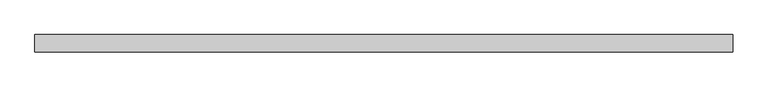
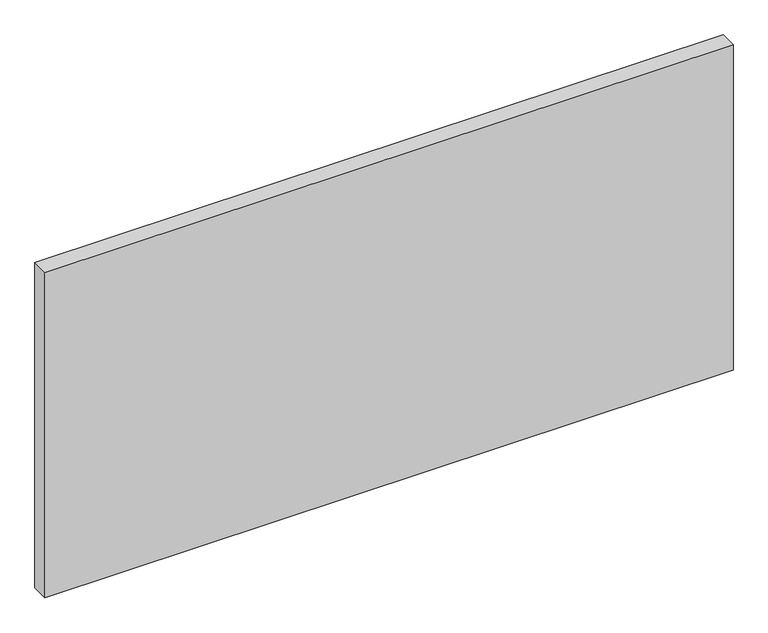
"""IFC4 building model written with IfcOpenShell, lengths in millimetres: proxy geometry."""

from ifc_helpers import new_model, si_unit, origin, origin_with_axes, place, context, project, spatial, polyline, outline, extrude, source, transform, mapped, element, save


def generic_models_c68e0811(model_context):
    return source(origin(), model_context, "Body", "SweptSolid", [
        extrude(outline(polyline([(0.0, 100.0), (0.0, 0.0), (-4000.0, 0.0), (-4000.0, 100.0), (0.0, 100.0)])), origin_with_axes(), (0.0, 0.0, 1.0), 2000.0),
    ])


if __name__ == "__main__":
    model = new_model("IFC4")
    model_context = context("Model", 3, world=origin())
    ifc_project = project(units=[si_unit("LENGTHUNIT", "METRE", prefix="MILLI")], contexts=[model_context])
    site = spatial("IfcSite", under=ifc_project)
    building = spatial("IfcBuilding", under=site)
    placement = place(None, origin())
    generic_models_shape = generic_models_c68e0811(model_context)
    element("IfcBuildingElementProxy", 1, Name="Generic Models", at=placement, inside=building, context=model_context, shape_type="MappedRepresentation", body=[
        mapped(generic_models_shape, transform((0.0, 0.0, 0.0), x_axis=(1.0, 0.0, 0.0), y_axis=(0.0, 1.0, 0.0), z_axis=(0.0, 0.0, 1.0))),
    ])
    save(model, "model.ifc")
